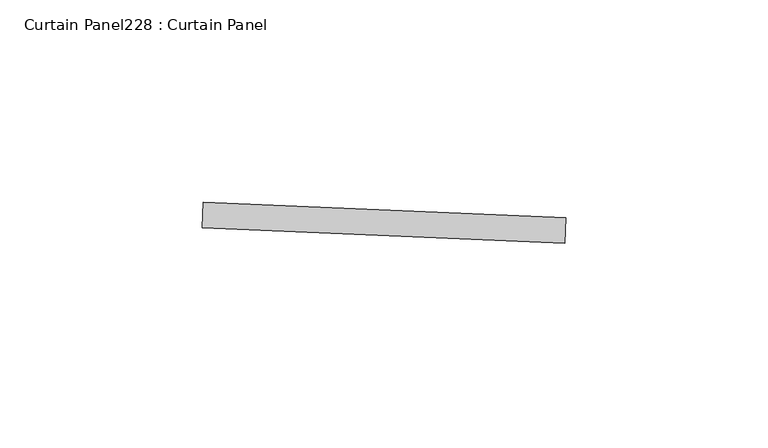
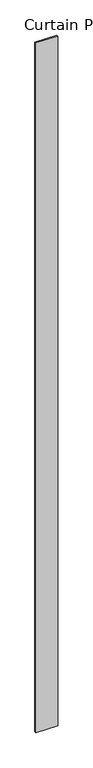
"""IFC4 building model written with IfcOpenShell, lengths in millimetres: plate geometry, Curtain Panel228 : Curtain Panel."""

from ifc_helpers import new_model, si_unit, frame, origin, place, context, project, spatial, polyline, outline, extrude, source, transform, mapped, element, save


def curtain_panel228_curtain_panel_db5a74db(model_context):
    return source(origin(), model_context, "Body", "SweptSolid", [
        extrude(outline(polyline([(635461.106527, 2252.6252889), (635371.5004768, 2256.4063956), (635371.7681895, 2262.7507498), (635461.3742397, 2258.969643), (635461.106527, 2252.6252889)])), frame((0.0, 0.0, 4959.7989371), z_axis=(0.0, 0.0, 1.0), x_axis=(1.0, 0.0, 0.0)), (0.0, 0.0, 1.0), 3048.0),
    ])


if __name__ == "__main__":
    model = new_model("IFC4")
    model_context = context("Model", 3, world=origin())
    ifc_project = project(units=[si_unit("LENGTHUNIT", "METRE", prefix="MILLI")], contexts=[model_context])
    site = spatial("IfcSite", under=ifc_project)
    building = spatial("IfcBuilding", under=site)
    placement = place(None, origin())
    curtain_panel228_curtain_panel_shape = curtain_panel228_curtain_panel_db5a74db(model_context)
    element("IfcPlate", 1, ObjectType="Curtain Panel228 : Curtain Panel", at=placement, inside=building, context=model_context, shape_type="MappedRepresentation", body=[
        mapped(curtain_panel228_curtain_panel_shape, transform((0.0, 0.0, 0.0), x_axis=(1.0, 0.0, 0.0), y_axis=(0.0, 1.0, 0.0), z_axis=(0.0, 0.0, 1.0))),
    ])
    save(model, "model.ifc")
